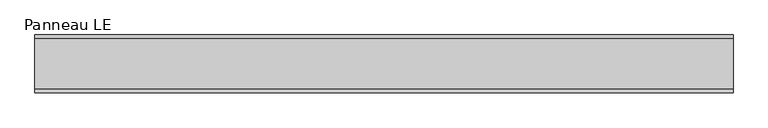
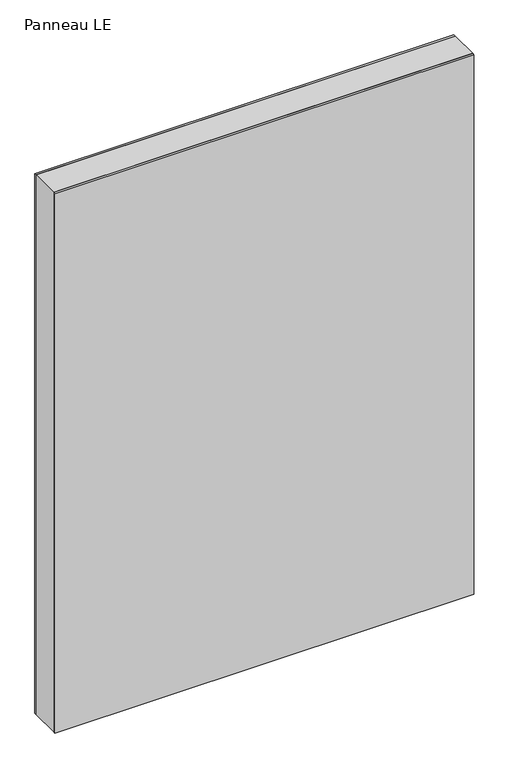
"""IFC4 building model written with IfcOpenShell, lengths in millimetres: plate geometry, Panneau LE."""

from ifc_helpers import new_model, si_unit, frame, origin, origin_with_axes, place, context, project, spatial, polyline, outline, extrude, source, transform, mapped, element, save


def panneau_le_3a7d74c8(model_context):
    return source(origin(), model_context, "Body", "SweptSolid", [
        extrude(outline(polyline([(1483.5, 544.8750001), (1483.5, -544.8750001), (0.0, -544.8750001), (0.0, 544.8750001), (1483.5, 544.8750001)]), holes=[polyline([(30.0, -504.8750001), (1423.5, -504.8750001), (1423.5, 504.8750001), (30.0, 504.8750001), (30.0, -504.8750001)])]), frame((0.0, -39.0, 0.0), z_axis=(0.0, 1.0, 0.0), x_axis=(0.0, 0.0, 1.0)), (0.0, 0.0, 1.0), 78.0),
        extrude(outline(polyline([(544.8750001, 39.0), (-544.8750001, 39.0), (-544.8750001, 45.0), (544.8750001, 45.0), (544.8750001, 39.0)])), origin_with_axes(), (0.0, 0.0, 1.0), 1483.5),
        extrude(outline(polyline([(-544.8750001, -45.0), (-544.8750001, -39.0), (544.8750001, -39.0), (544.8750001, -45.0), (-544.8750001, -45.0)])), origin_with_axes(), (0.0, 0.0, 1.0), 1483.5),
    ])


if __name__ == "__main__":
    model = new_model("IFC4")
    model_context = context("Model", 3, world=origin())
    ifc_project = project(units=[si_unit("LENGTHUNIT", "METRE", prefix="MILLI")], contexts=[model_context])
    site = spatial("IfcSite", under=ifc_project)
    building = spatial("IfcBuilding", under=site)
    placement = place(None, origin())
    panneau_le_shape = panneau_le_3a7d74c8(model_context)
    element("IfcPlate", 1, ObjectType="Panneau LE", at=placement, inside=building, context=model_context, shape_type="MappedRepresentation", body=[
        mapped(panneau_le_shape, transform((0.0, 0.0, 0.0), x_axis=(1.0, 0.0, 0.0), y_axis=(0.0, 1.0, 0.0), z_axis=(0.0, 0.0, 1.0))),
    ])
    save(model, "model.ifc")
